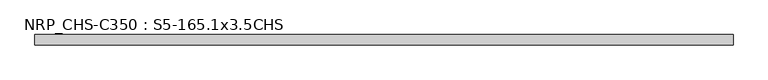
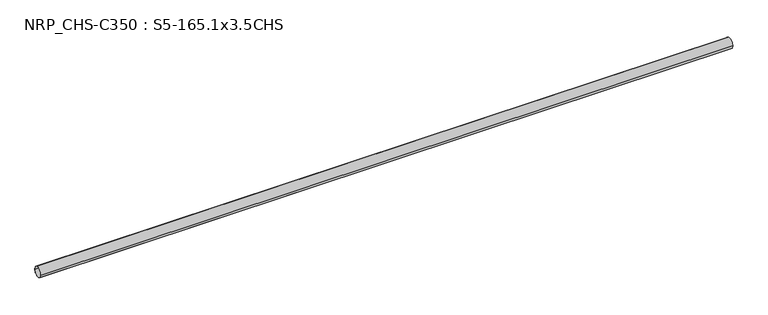
"""IFC4 building model written with IfcOpenShell, lengths in millimetres: beam geometry, NRP_CHS-C350 : S5-165.1x3.5CHS."""

from ifc_helpers import new_model, si_unit, point, frame, origin, origin_2d, place, context, project, spatial, circle_curve, trimmed, segment, composite_curve, outline, extrude, source, transform, mapped, element, save


def nrp_chs_c350_s5_165_1x3_5chs_3aa21a0e(model_context):
    return source(origin(), model_context, "Body", "SweptSolid", [
        extrude(outline(composite_curve([segment(trimmed(circle_curve(origin_2d(), 82.55), [point((-82.55, 0.0))], [point((82.55, 0.0))], False, "CARTESIAN"), True, "CONTINUOUS"), segment(trimmed(circle_curve(origin_2d(), 82.55), [point((82.55, 0.0))], [point((-82.55, 0.0))], False, "CARTESIAN"), True, "CONTINUOUS")], self_intersect=False), holes=[composite_curve([segment(trimmed(circle_curve(origin_2d(), 79.05), [point((79.05, 0.0))], [point((-79.05, 0.0))], True, "CARTESIAN"), True, "CONTINUOUS"), segment(trimmed(circle_curve(origin_2d(), 79.05), [point((-79.05, 0.0))], [point((79.05, 0.0))], True, "CARTESIAN"), True, "CONTINUOUS")], self_intersect=False)]), frame((-5532.8, 0.0, 0.0), z_axis=(1.0, 0.0, 0.0), x_axis=(0.0, 1.0, 0.0)), (0.0, 0.0, 1.0), 10962.7),
    ])


if __name__ == "__main__":
    model = new_model("IFC4")
    model_context = context("Model", 3, world=origin())
    ifc_project = project(units=[si_unit("LENGTHUNIT", "METRE", prefix="MILLI")], contexts=[model_context])
    site = spatial("IfcSite", under=ifc_project)
    building = spatial("IfcBuilding", under=site)
    placement = place(None, origin())
    nrp_chs_c350_s5_165_1x3_5chs_shape = nrp_chs_c350_s5_165_1x3_5chs_3aa21a0e(model_context)
    element("IfcBeam", 1, ObjectType="NRP_CHS-C350 : S5-165.1x3.5CHS", at=placement, inside=building, context=model_context, shape_type="MappedRepresentation", body=[
        mapped(nrp_chs_c350_s5_165_1x3_5chs_shape, transform((0.0, 0.0, 0.0), x_axis=(1.0, 0.0, 0.0), y_axis=(0.0, 1.0, 0.0), z_axis=(0.0, 0.0, 1.0))),
    ])
    save(model, "model.ifc")
